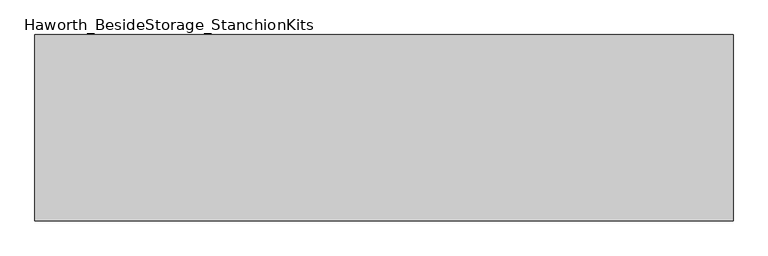
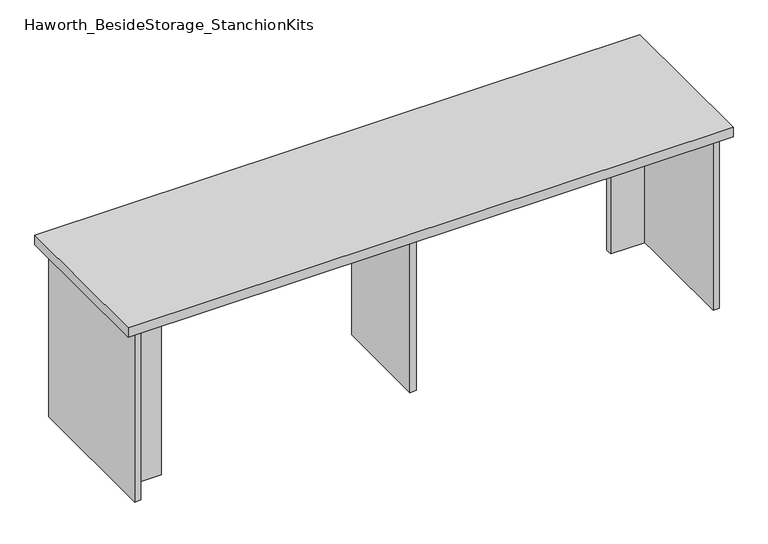
"""IFC4 building model written with IfcOpenShell, lengths in millimetres: furniture geometry, Haworth_BesideStorage_StanchionKits."""

from ifc_helpers import new_model, si_unit, frame, origin, place, context, project, spatial, polyline, outline, extrude, source, transform, mapped, element, save


def haworth_besidestorage_stanchionkits_ccc92482(model_context):
    return source(origin(), model_context, "Body", "SweptSolid", [
        extrude(outline(polyline([(923.925, 0.0), (923.925, -406.4), (-600.075, -406.4), (-600.075, 0.0), (923.925, 0.0)])), frame((0.0, 0.0, 889.0), z_axis=(0.0, 0.0, 1.0), x_axis=(1.0, 0.0, 0.0)), (0.0, 0.0, 1.0), 25.4),
        extrude(outline(polyline([(796.925, -76.2), (882.65, -76.2), (882.65, -92.075), (796.925, -92.075), (796.925, -76.2)])), frame((0.0, 0.0, 431.8), z_axis=(0.0, 0.0, 1.0), x_axis=(1.0, 0.0, 0.0)), (0.0, 0.0, 1.0), 457.2),
        extrude(outline(polyline([(-473.075, -314.325), (-473.075, -330.2), (-558.8, -330.2), (-558.8, -314.325), (-473.075, -314.325)])), frame((0.0, 0.0, 431.8), z_axis=(0.0, 0.0, 1.0), x_axis=(1.0, 0.0, 0.0)), (0.0, 0.0, 1.0), 457.2),
        extrude(outline(polyline([(169.8625, -330.2), (153.9875, -330.2), (153.9875, -76.2), (169.8625, -76.2), (169.8625, -330.2)])), frame((0.0, 0.0, 431.8), z_axis=(0.0, 0.0, 1.0), x_axis=(1.0, 0.0, 0.0)), (0.0, 0.0, 1.0), 457.2),
        extrude(outline(polyline([(898.525, -390.525), (882.65, -390.525), (882.65, -15.875), (898.525, -15.875), (898.525, -390.525)])), frame((0.0, 0.0, 431.8), z_axis=(0.0, 0.0, 1.0), x_axis=(1.0, 0.0, 0.0)), (0.0, 0.0, 1.0), 457.2),
        extrude(outline(polyline([(-558.8, -390.525), (-574.675, -390.525), (-574.675, -15.875), (-558.8, -15.875), (-558.8, -390.525)])), frame((0.0, 0.0, 431.8), z_axis=(0.0, 0.0, 1.0), x_axis=(1.0, 0.0, 0.0)), (0.0, 0.0, 1.0), 457.2),
    ])


if __name__ == "__main__":
    model = new_model("IFC4")
    model_context = context("Model", 3, world=origin())
    ifc_project = project(units=[si_unit("LENGTHUNIT", "METRE", prefix="MILLI")], contexts=[model_context])
    site = spatial("IfcSite", under=ifc_project)
    building = spatial("IfcBuilding", under=site)
    placement = place(None, origin())
    haworth_besidestorage_stanchionkits_shape = haworth_besidestorage_stanchionkits_ccc92482(model_context)
    element("IfcFurniture", 1, ObjectType="Haworth_BesideStorage_StanchionKits", at=placement, inside=building, context=model_context, shape_type="MappedRepresentation", body=[
        mapped(haworth_besidestorage_stanchionkits_shape, transform((0.0, 0.0, 0.0), x_axis=(1.0, 0.0, 0.0), y_axis=(0.0, 1.0, 0.0), z_axis=(0.0, 0.0, 1.0))),
    ])
    save(model, "model.ifc")
